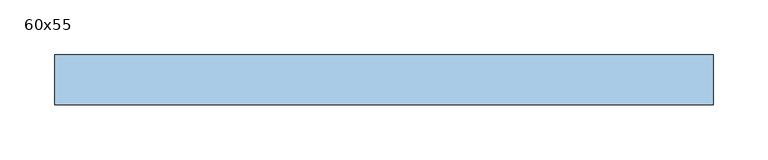
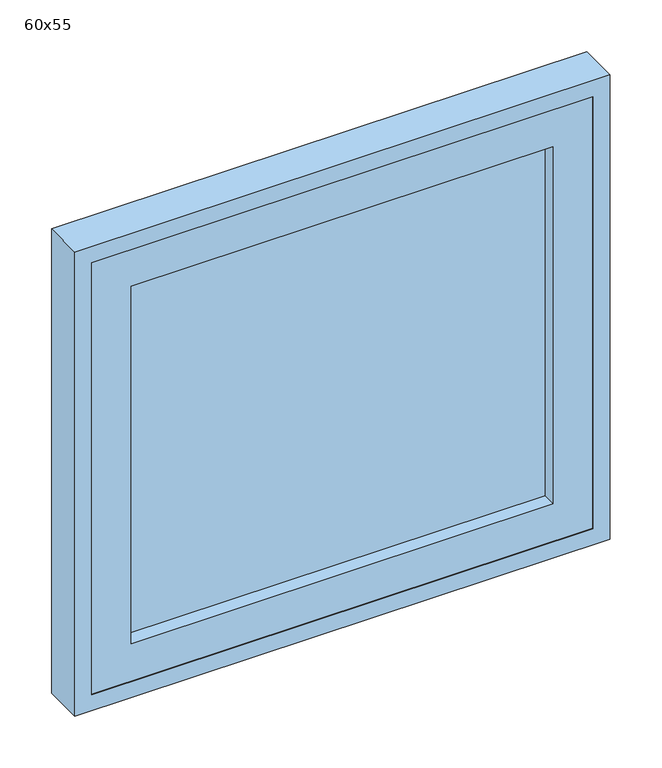
"""IFC4 building model written with IfcOpenShell, lengths in millimetres: window geometry, 60x55."""

from ifc_helpers import new_model, si_unit, frame, origin, place, context, project, spatial, polyline, outline, extrude, source, transform, mapped, element, save


def window_60x55_06cd8d73(model_context):
    return source(origin(), model_context, "Body", "SweptSolid", [
        extrude(outline(polyline([(198.4, -30.425), (198.4, -43.125), (-274.6, -43.125), (-274.6, -30.425), (198.4, -30.425)])), frame((0.0, 0.0, 963.5), z_axis=(0.0, 0.0, 1.0), x_axis=(1.0, 0.0, 0.0)), (0.0, 0.0, 1.0), 423.0),
        extrude(outline(polyline([(1430.95, -319.05), (919.05, -319.05), (919.05, 242.85), (1430.95, 242.85), (1430.95, -319.05)]), holes=[polyline([(1386.5, -274.6), (1386.5, 198.4), (963.5, 198.4), (963.5, -274.6), (1386.5, -274.6)])]), frame((0.0, -59.0, 0.0), z_axis=(0.0, 1.0, 0.0), x_axis=(0.0, 0.0, 1.0)), (0.0, 0.0, 1.0), 44.45),
        extrude(outline(polyline([(1450.0, 261.9), (1450.0, -338.1), (900.0, -338.1), (900.0, 261.9), (1450.0, 261.9)]), holes=[polyline([(1430.95, 242.85), (919.05, 242.85), (919.05, -319.05), (1430.95, -319.05), (1430.95, 242.85)])]), frame((0.0, -60.0, 0.0), z_axis=(0.0, 1.0, 0.0), x_axis=(0.0, 0.0, 1.0)), (0.0, 0.0, 1.0), 45.45),
    ])


if __name__ == "__main__":
    model = new_model("IFC4")
    model_context = context("Model", 3, world=origin())
    ifc_project = project(units=[si_unit("LENGTHUNIT", "METRE", prefix="MILLI")], contexts=[model_context])
    site = spatial("IfcSite", under=ifc_project)
    building = spatial("IfcBuilding", under=site)
    placement = place(None, origin())
    window_60x55_shape = window_60x55_06cd8d73(model_context)
    element("IfcWindow", 1, ObjectType="60x55", at=placement, inside=building, context=model_context, shape_type="MappedRepresentation", body=[
        mapped(window_60x55_shape, transform((0.0, 0.0, 0.0), x_axis=(1.0, 0.0, 0.0), y_axis=(0.0, 1.0, 0.0), z_axis=(0.0, 0.0, 1.0))),
    ])
    save(model, "model.ifc")
